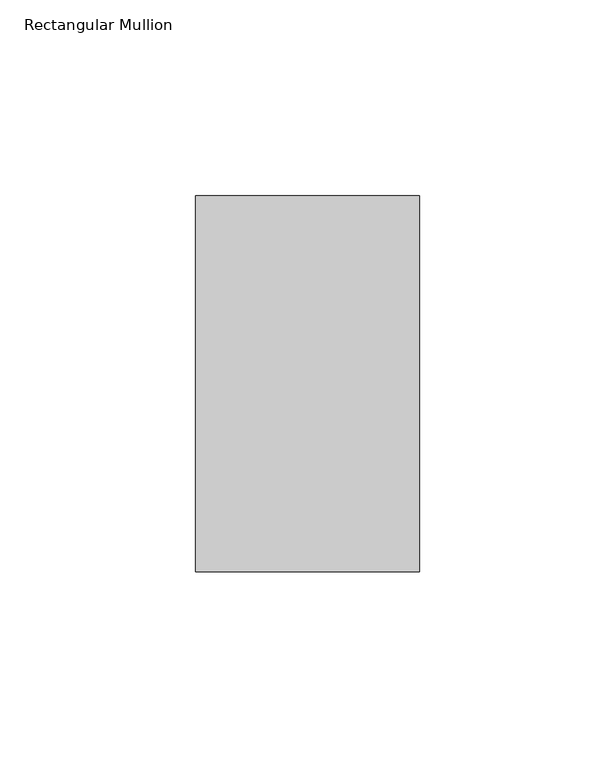
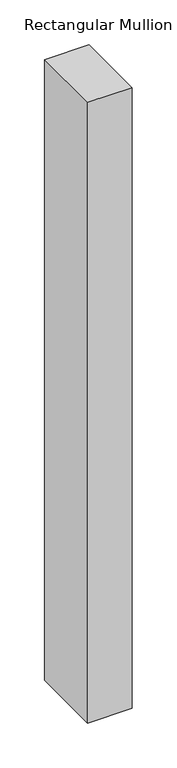
"""IFC4 building model written with IfcOpenShell, lengths in millimetres: member geometry, Rectangular Mullion."""

from ifc_helpers import new_model, si_unit, frame, origin, place, context, project, spatial, polyline, outline, extrude, source, transform, mapped, element, save


def rectangular_mullion_cd421505(model_context):
    return source(origin(), model_context, "Body", "SweptSolid", [
        extrude(outline(polyline([(-28.575, 55.959375), (-28.575, 151.971375), (28.575, 151.971375), (28.575, 55.959375), (-28.575, 55.959375)])), frame((0.0, 0.0, -844.4484), z_axis=(0.0, 0.0, 1.0), x_axis=(1.0, 0.0, 0.0)), (0.0, 0.0, 1.0), 844.4484),
    ])


if __name__ == "__main__":
    model = new_model("IFC4")
    model_context = context("Model", 3, world=origin())
    ifc_project = project(units=[si_unit("LENGTHUNIT", "METRE", prefix="MILLI")], contexts=[model_context])
    site = spatial("IfcSite", under=ifc_project)
    building = spatial("IfcBuilding", under=site)
    placement = place(None, origin())
    rectangular_mullion_shape = rectangular_mullion_cd421505(model_context)
    element("IfcMember", 1, ObjectType="Rectangular Mullion", at=placement, inside=building, context=model_context, shape_type="MappedRepresentation", body=[
        mapped(rectangular_mullion_shape, transform((0.0, 0.0, 0.0), x_axis=(1.0, 0.0, 0.0), y_axis=(0.0, 1.0, 0.0), z_axis=(0.0, 0.0, 1.0))),
    ])
    save(model, "model.ifc")
